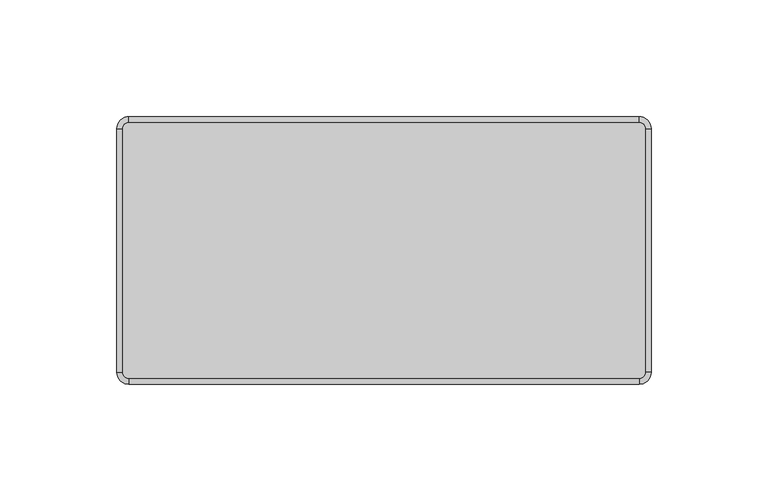
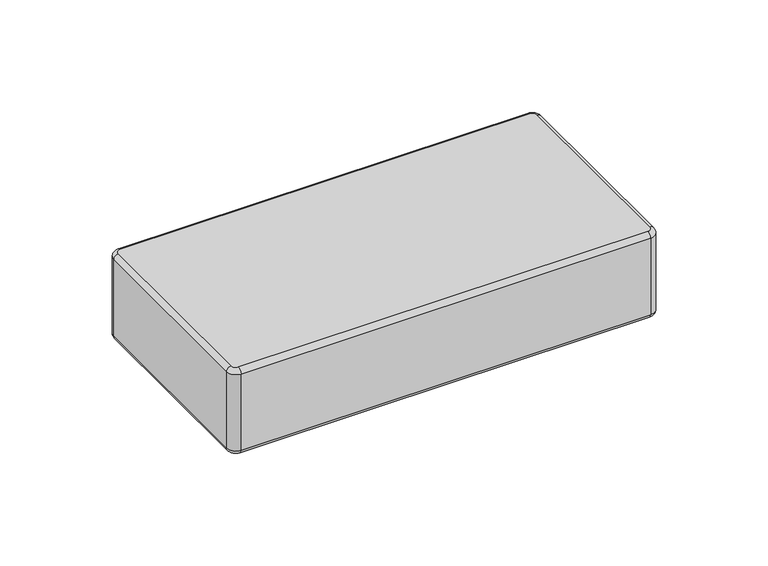
"""IFC4 building model written with IfcOpenShell, lengths in millimetres: plate geometry."""

from ifc_helpers import new_model, si_unit, point, frame, origin, place, context, project, spatial, circle_curve, ellipse_curve, trimmed, source, transform, mapped, element, save
from ifc_brep_helpers import plane_surface, cylinder_surface, revolved_surface, advanced_brep


def plate_82992c27(model_context):
    return source(origin(), model_context, "Body", "AdvancedBrep", [
        advanced_brep(
        [(111.7999999, 52.15, 48.0), (109.2999999, 54.65, 48.0), (-109.3000001, 54.65, 48.0), (-111.8000001, 52.15, 48.0), (-111.8000001, -52.15, 48.0), (-109.3000001, -54.65, 48.0), (109.2999999, -54.65, 48.0), (111.7999999, -52.15, 48.0), (-111.8000001, 52.15, 0.0), (-109.3000001, 54.65, 0.0), (109.2999999, 54.65, 0.0), (111.7999999, 52.15, 0.0), (111.7999999, -52.15, 0.0), (109.2999999, -54.65, 0.0), (-109.3000001, -54.65, 0.0), (-111.8000001, -52.15, 0.0), (-109.3000001, -57.15, 2.5), (109.2999999, -57.15, 2.5), (109.2999999, -57.15, 45.5), (-109.3000001, -57.15, 45.5), (114.2999999, -52.15, 2.5), (114.2999999, 52.15, 2.5), (114.2999999, 52.15, 45.5000019), (114.2999999, -52.15, 45.5), (109.2999999, 57.15, 2.5), (-109.3000001, 57.15, 2.5), (-109.3000001, 57.15, 45.5), (109.2999999, 57.15, 45.5), (-114.3000001, 52.15, 2.5), (-114.3000001, -52.15, 2.5), (-114.3000001, -52.15, 45.5), (-114.3000001, 52.15, 45.5)],
        [
            (0, 1, circle_curve(frame((109.2999999, 52.15, 48.0), z_axis=(0.0, 0.0, 1.0), x_axis=(1.0, 0.0, 0.0)), 2.5)),
            (1, 2),
            (2, 3, circle_curve(frame((-109.3000001, 52.15, 48.0), z_axis=(0.0, 0.0, 1.0), x_axis=(0.0, 1.0, 0.0)), 2.5)),
            (3, 4),
            (4, 5, circle_curve(frame((-109.3000001, -52.15, 48.0), z_axis=(0.0, 0.0, 1.0), x_axis=(-1.0, 0.0, 0.0)), 2.5)),
            (5, 6),
            (6, 7, circle_curve(frame((109.2999999, -52.15, 48.0), z_axis=(0.0, 0.0, 1.0), x_axis=(0.0, -1.0, 0.0)), 2.5)),
            (7, 0),
            (8, 9, circle_curve(frame((-109.3000001, 52.15, 0.0), z_axis=(0.0, 0.0, -1.0), x_axis=(-1.0, 0.0, 0.0)), 2.5)),
            (9, 10),
            (10, 11, circle_curve(frame((109.2999999, 52.15, 0.0), z_axis=(0.0, 0.0, -1.0), x_axis=(0.0, 1.0, 0.0)), 2.5)),
            (11, 12),
            (12, 13, circle_curve(frame((109.2999999, -52.15, 0.0), z_axis=(0.0, 0.0, -1.0), x_axis=(1.0, 0.0, 0.0)), 2.5)),
            (13, 14),
            (14, 15, circle_curve(frame((-109.3000001, -52.15, 0.0), z_axis=(0.0, 0.0, -1.0), x_axis=(0.0, -1.0, 0.0)), 2.5)),
            (15, 8),
            (16, 17),
            (17, 18),
            (18, 19),
            (19, 16),
            (20, 21),
            (21, 22),
            (22, 23),
            (23, 20),
            (24, 25),
            (25, 26),
            (26, 27),
            (27, 24),
            (28, 29),
            (29, 30),
            (30, 31),
            (31, 28),
            (29, 16, circle_curve(frame((-109.3000001, -52.15, 2.5), z_axis=(0.0, 0.0, 1.0), x_axis=(1.0, 0.0, 0.0)), 5.0)),
            (19, 30, circle_curve(frame((-109.3000001, -52.15, 45.5), z_axis=(0.0, 0.0, -1.0), x_axis=(1.0, 0.0, 0.0)), 5.0)),
            (17, 20, circle_curve(frame((109.2999999, -52.15, 2.5), z_axis=(0.0, 0.0, 1.0), x_axis=(1.0, 0.0, 0.0)), 5.0)),
            (23, 18, circle_curve(frame((109.2999999, -52.15, 45.5), z_axis=(0.0, 0.0, -1.0), x_axis=(1.0, 0.0, 0.0)), 5.0)),
            (21, 24, circle_curve(frame((109.2999999, 52.15, 2.5), z_axis=(0.0, 0.0, 1.0), x_axis=(1.0, 0.0, 0.0)), 5.0)),
            (27, 22, circle_curve(frame((109.2999999, 52.15, 45.5), z_axis=(0.0, 0.0, -1.0), x_axis=(1.0, 0.0, 0.0)), 5.0)),
            (25, 28, circle_curve(frame((-109.3000001, 52.15, 2.5), z_axis=(0.0, 0.0, 1.0), x_axis=(1.0, 0.0, 0.0)), 5.0)),
            (31, 26, circle_curve(frame((-109.3000001, 52.15, 45.5), z_axis=(0.0, 0.0, -1.0), x_axis=(1.0, 0.0, 0.0)), 5.0)),
            (25, 9, circle_curve(frame((-109.3000001, 54.65, 2.5), z_axis=(-1.0, 0.0, 0.0), x_axis=(0.0, -1.0, 0.0)), 2.5)),
            (8, 28, circle_curve(frame((-111.8000001, 52.15, 2.5), z_axis=(0.0, 1.0, 0.0), x_axis=(1.0, 0.0, 0.0)), 2.5)),
            (24, 10, circle_curve(frame((109.2999999, 54.65, 2.5), z_axis=(-1.0, 0.0, 0.0), x_axis=(0.0, -1.0, 0.0)), 2.5)),
            (21, 11, circle_curve(frame((111.7999999, 52.15, 2.5), z_axis=(0.0, 1.0, 0.0), x_axis=(-1.0, 0.0, 0.0)), 2.5)),
            (20, 12, circle_curve(frame((111.7999999, -52.15, 2.5), z_axis=(0.0, 1.0, 0.0), x_axis=(-1.0, 0.0, 0.0)), 2.5)),
            (17, 13, circle_curve(frame((109.2999999, -54.65, 2.5), z_axis=(1.0, 0.0, 0.0), x_axis=(0.0, 1.0, 0.0)), 2.5)),
            (16, 14, circle_curve(frame((-109.3000001, -54.65, 2.5), z_axis=(1.0, 0.0, 0.0), x_axis=(0.0, 1.0, 0.0)), 2.5)),
            (29, 15, circle_curve(frame((-111.8000001, -52.15, 2.5), z_axis=(0.0, -1.0, 0.0), x_axis=(1.0, 0.0, 0.0)), 2.5)),
            (27, 1, circle_curve(frame((109.2999999, 54.65, 45.5), z_axis=(1.0, 0.0, 0.0), x_axis=(0.0, -1.0, 0.0)), 2.5)),
            (0, 22, circle_curve(frame((111.7999999, 52.15, 45.5), z_axis=(0.0, 1.0, 0.0), x_axis=(-1.0, 0.0, 0.0)), 2.5)),
            (26, 2, circle_curve(frame((-109.3000001, 54.65, 45.5), z_axis=(1.0, 0.0, 0.0), x_axis=(0.0, -1.0, 0.0)), 2.5)),
            (31, 3, circle_curve(frame((-111.8000001, 52.15, 45.5), z_axis=(0.0, 1.0, 0.0), x_axis=(1.0, 0.0, 0.0)), 2.5)),
            (30, 4, circle_curve(frame((-111.8000001, -52.15, 45.5), z_axis=(0.0, 1.0, 0.0), x_axis=(1.0, 0.0, 0.0)), 2.5)),
            (19, 5, circle_curve(frame((-109.3000001, -54.65, 45.5), z_axis=(-1.0, 0.0, 0.0), x_axis=(0.0, 1.0, 0.0)), 2.5)),
            (18, 6, circle_curve(frame((109.2999999, -54.65, 45.5), z_axis=(-1.0, 0.0, 0.0), x_axis=(0.0, 1.0, 0.0)), 2.5)),
            (23, 7, circle_curve(frame((111.7999999, -52.15, 45.5), z_axis=(0.0, -1.0, 0.0), x_axis=(-1.0, 0.0, 0.0)), 2.5)),
        ],
        [
            plane_surface(frame((-104.3000001, -52.15, 48.0), z_axis=(0.0, 0.0, 1.0), x_axis=(0.0, 1.0, 0.0))),
            plane_surface(frame((-104.3000001, -52.15, 0.0), z_axis=(0.0, 0.0, -1.0), x_axis=(0.0, -1.0, 0.0))),
            plane_surface(frame((-109.3000001, -57.15, 48.0), z_axis=(0.0, -1.0, 0.0), x_axis=(0.0, 0.0, -1.0))),
            plane_surface(frame((114.2999999, -52.15, 48.0), z_axis=(1.0, 0.0, 0.0), x_axis=(0.0, 0.0, -1.0))),
            plane_surface(frame((109.2999999, 57.15, 48.0), z_axis=(0.0, 1.0, 0.0), x_axis=(0.0, 0.0, -1.0))),
            plane_surface(frame((-114.3000001, 52.15, 48.0), z_axis=(-1.0, 0.0, 0.0), x_axis=(0.0, 0.0, -1.0))),
            cylinder_surface(frame((-109.3000001, -52.15, 0.0), z_axis=(0.0, 0.0, 1.0), x_axis=(1.0, 0.0, 0.0)), 5.0),
            cylinder_surface(frame((109.2999999, -52.15, 0.0), z_axis=(0.0, 0.0, 1.0), x_axis=(1.0, 0.0, 0.0)), 5.0),
            cylinder_surface(frame((109.2999999, 52.15, 0.0), z_axis=(0.0, 0.0, 1.0), x_axis=(1.0, 0.0, 0.0)), 5.0),
            cylinder_surface(frame((-109.3000001, 52.15, 0.0), z_axis=(0.0, 0.0, 1.0), x_axis=(1.0, 0.0, 0.0)), 5.0),
            revolved_surface(trimmed(ellipse_curve(frame((-111.8000001, 52.15, 2.5), z_axis=(0.0, -1.0, 0.0), x_axis=(1.0, 0.0, 0.0)), 2.5, 2.5), [point((-114.3000001, 52.15, 2.5))], [point((-111.8000001, 52.15, 0.0))], True, "CARTESIAN"), (-109.3000001, 52.15, 0.0), (0.0, 0.0, -1.0)),
            cylinder_surface(frame((-109.3000001, 54.65, 2.5), z_axis=(1.0, 0.0, 0.0), x_axis=(0.0, -1.0, 0.0)), 2.5),
            revolved_surface(trimmed(ellipse_curve(frame((109.2999999, 54.65, 2.5), z_axis=(-1.0, 0.0, 0.0), x_axis=(0.0, -1.0, 0.0)), 2.5, 2.5), [point((109.2999999, 57.15, 2.5))], [point((109.2999999, 54.65, 0.0))], True, "CARTESIAN"), (109.2999999, 52.15, 0.0), (0.0, 0.0, -1.0)),
            cylinder_surface(frame((111.7999999, 52.15, 2.5), z_axis=(0.0, -1.0, 0.0), x_axis=(-1.0, 0.0, 0.0)), 2.5),
            revolved_surface(trimmed(ellipse_curve(frame((111.7999999, -52.15, 2.5), z_axis=(0.0, 1.0, 0.0), x_axis=(-1.0, 0.0, 0.0)), 2.5, 2.5), [point((114.2999999, -52.15, 2.5))], [point((111.7999999, -52.15, 0.0))], True, "CARTESIAN"), (109.2999999, -52.15, 0.0), (0.0, 0.0, -1.0)),
            cylinder_surface(frame((109.2999999, -54.65, 2.5), z_axis=(-1.0, 0.0, 0.0), x_axis=(0.0, 1.0, 0.0)), 2.5),
            revolved_surface(trimmed(ellipse_curve(frame((-109.3000001, -54.65, 2.5), z_axis=(1.0, 0.0, 0.0), x_axis=(0.0, 1.0, 0.0)), 2.5, 2.5), [point((-109.3000001, -57.15, 2.5))], [point((-109.3000001, -54.65, 0.0))], True, "CARTESIAN"), (-109.3000001, -52.15, 0.0), (0.0, 0.0, -1.0)),
            cylinder_surface(frame((-111.8000001, -52.15, 2.5), z_axis=(0.0, 1.0, 0.0), x_axis=(1.0, 0.0, 0.0)), 2.5),
            revolved_surface(trimmed(ellipse_curve(frame((111.7999999, 52.15, 45.5), z_axis=(0.0, -1.0, 0.0), x_axis=(-1.0, 0.0, 0.0)), 2.5, 2.5), [point((114.2999999, 52.15, 45.5))], [point((111.7999999, 52.15, 48.0))], True, "CARTESIAN"), (109.2999999, 52.15, 48.0), (0.0, 0.0, 1.0)),
            cylinder_surface(frame((109.2999999, 54.65, 45.5), z_axis=(-1.0, 0.0, 0.0), x_axis=(0.0, -1.0, 0.0)), 2.5),
            revolved_surface(trimmed(ellipse_curve(frame((-109.3000001, 54.65, 45.5), z_axis=(1.0, 0.0, 0.0), x_axis=(0.0, -1.0, 0.0)), 2.5, 2.5), [point((-109.3000001, 57.15, 45.5))], [point((-109.3000001, 54.65, 48.0))], True, "CARTESIAN"), (-109.3000001, 52.15, 48.0), (0.0, 0.0, 1.0)),
            cylinder_surface(frame((-111.8000001, 52.15, 45.5), z_axis=(0.0, -1.0, 0.0), x_axis=(1.0, 0.0, 0.0)), 2.5),
            revolved_surface(trimmed(ellipse_curve(frame((-111.8000001, -52.15, 45.5), z_axis=(0.0, 1.0, 0.0), x_axis=(1.0, 0.0, 0.0)), 2.5, 2.5), [point((-114.3000001, -52.15, 45.5))], [point((-111.8000001, -52.15, 48.0))], True, "CARTESIAN"), (-109.3000001, -52.15, 48.0), (0.0, 0.0, 1.0)),
            cylinder_surface(frame((-109.3000001, -54.65, 45.5), z_axis=(1.0, 0.0, 0.0), x_axis=(0.0, 1.0, 0.0)), 2.5),
            revolved_surface(trimmed(ellipse_curve(frame((109.2999999, -54.65, 45.5), z_axis=(-1.0, 0.0, 0.0), x_axis=(0.0, 1.0, 0.0)), 2.5, 2.5), [point((109.2999999, -57.15, 45.5))], [point((109.2999999, -54.65, 48.0))], True, "CARTESIAN"), (109.2999999, -52.15, 48.0), (0.0, 0.0, 1.0)),
            cylinder_surface(frame((111.7999999, -52.15, 45.5), z_axis=(0.0, 1.0, 0.0), x_axis=(-1.0, 0.0, 0.0)), 2.5),
        ],
        [
            (0, [[1, 2, 3, 4, 5, 6, 7, 8]]),
            (1, [[9, 10, 11, 12, 13, 14, 15, 16]]),
            (2, [[17, 18, 19, 20]]),
            (3, [[21, 22, 23, 24]]),
            (4, [[25, 26, 27, 28]]),
            (5, [[29, 30, 31, 32]]),
            (6, [[33, -20, 34, -30]]),
            (7, [[35, -24, 36, -18]]),
            (8, [[37, -28, 38, -22]]),
            (9, [[39, -32, 40, -26]]),
            (10, [[41, -9, 42, -39]]),
            (11, [[-41, -25, 43, -10]]),
            (12, [[-43, -37, 44, -11]]),
            (13, [[-44, -21, 45, -12]]),
            (14, [[-45, -35, 46, -13]]),
            (15, [[-46, -17, 47, -14]]),
            (16, [[-47, -33, 48, -15]]),
            (17, [[-42, -16, -48, -29]]),
            (18, [[49, -1, 50, -38]]),
            (19, [[-49, -27, 51, -2]]),
            (20, [[-51, -40, 52, -3]]),
            (21, [[-52, -31, 53, -4]]),
            (22, [[-53, -34, 54, -5]]),
            (23, [[-54, -19, 55, -6]]),
            (24, [[-55, -36, 56, -7]]),
            (25, [[-50, -8, -56, -23]]),
        ],
    ),
    ])


if __name__ == "__main__":
    model = new_model("IFC4")
    model_context = context("Model", 3, world=origin())
    ifc_project = project(units=[si_unit("LENGTHUNIT", "METRE", prefix="MILLI")], contexts=[model_context])
    site = spatial("IfcSite", under=ifc_project)
    building = spatial("IfcBuilding", under=site)
    placement = place(None, origin())
    plate_shape = plate_82992c27(model_context)
    element("IfcPlate", 1, at=placement, inside=building, context=model_context, shape_type="MappedRepresentation", body=[
        mapped(plate_shape, transform((0.0, 0.0, 0.0), x_axis=(1.0, 0.0, 0.0), y_axis=(0.0, 1.0, 0.0), z_axis=(0.0, 0.0, 1.0))),
    ])
    save(model, "model.ifc")
